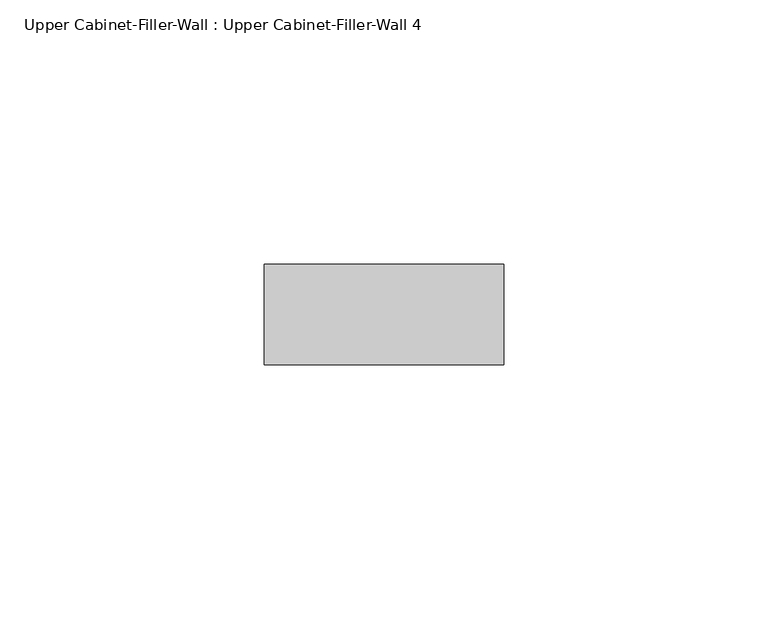
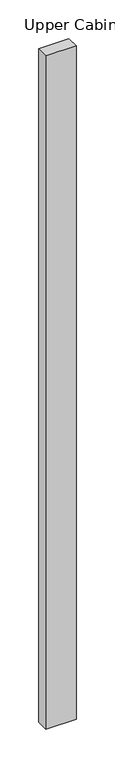
"""IFC4 building model written with IfcOpenShell, lengths in millimetres: furniture geometry, Upper Cabinet-Filler-Wall : Upper Cabinet-Filler-Wall 4."""

from ifc_helpers import new_model, si_unit, frame, origin, place, context, project, spatial, polyline, outline, extrude, source, transform, mapped, element, save


def upper_cabinet_filler_wall_upper_cabinet_filler_wall_4_c8474d81(model_context):
    return source(origin(), model_context, "Body", "SweptSolid", [
        extrude(outline(polyline([(7.0857775, 347.6625), (7.0857775, 366.7125), (52.4565481, 366.7125), (52.4565481, 347.6625), (7.0857775, 347.6625)])), frame((0.0, 0.0, 1066.8), z_axis=(0.0, 0.0, 1.0), x_axis=(1.0, 0.0, 0.0)), (0.0, 0.0, 1.0), 1066.8),
    ])


if __name__ == "__main__":
    model = new_model("IFC4")
    model_context = context("Model", 3, world=origin())
    ifc_project = project(units=[si_unit("LENGTHUNIT", "METRE", prefix="MILLI")], contexts=[model_context])
    site = spatial("IfcSite", under=ifc_project)
    building = spatial("IfcBuilding", under=site)
    placement = place(None, origin())
    upper_cabinet_filler_wall_upper_cabinet_filler_wall_4_shape = upper_cabinet_filler_wall_upper_cabinet_filler_wall_4_c8474d81(model_context)
    element("IfcFurniture", 1, ObjectType="Upper Cabinet-Filler-Wall : Upper Cabinet-Filler-Wall 4", at=placement, inside=building, context=model_context, shape_type="MappedRepresentation", body=[
        mapped(upper_cabinet_filler_wall_upper_cabinet_filler_wall_4_shape, transform((0.0, 0.0, 0.0), x_axis=(1.0, 0.0, 0.0), y_axis=(0.0, 1.0, 0.0), z_axis=(0.0, 0.0, 1.0))),
    ])
    save(model, "model.ifc")
